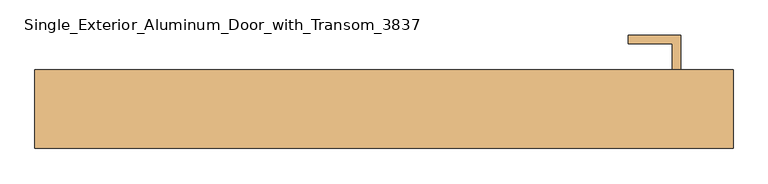
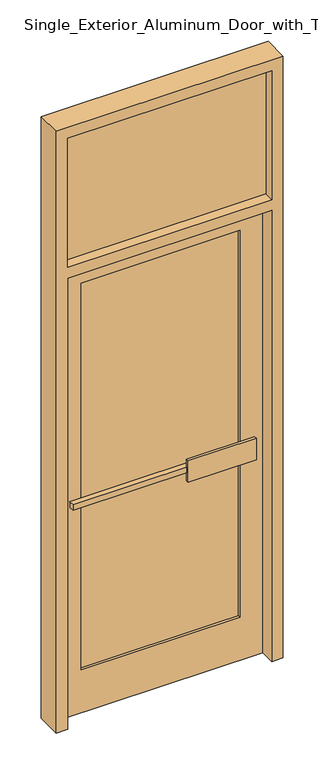
"""IFC4 building model written with IfcOpenShell, lengths in millimetres: door geometry, Single_Exterior_Aluminum_Door_with_Transom_3837."""

from ifc_helpers import new_model, si_unit, frame, origin, place, context, project, spatial, polyline, outline, extrude, source, transform, mapped, element, save


def single_exterior_aluminum_door_with_transom_3837_0a664c8e(model_context):
    return source(origin(), model_context, "Body", "SweptSolid", [
        extrude(outline(polyline([(457.2, -35.25), (-457.2, -35.25), (-457.2, -9.85), (457.2, -9.85), (457.2, -35.25)])), frame((0.0, 0.0, 2184.4), z_axis=(0.0, 0.0, 1.0), x_axis=(1.0, 0.0, 0.0)), (0.0, 0.0, 1.0), 609.6),
        extrude(outline(polyline([(101.6, -35.25), (406.4, -35.25), (406.4, -47.95), (101.6, -47.95), (101.6, -35.25)])), frame((0.0, 0.0, 952.5), z_axis=(0.0, 0.0, 1.0), x_axis=(1.0, 0.0, 0.0)), (0.0, 0.0, 1.0), 101.6),
        extrude(outline(polyline([(406.4, -9.85), (406.4, -35.25), (-406.4, -35.25), (-406.4, -9.85), (406.4, -9.85)])), frame((0.0, 0.0, 990.6), z_axis=(0.0, 0.0, 1.0), x_axis=(1.0, 0.0, 0.0)), (0.0, 0.0, 1.0), 25.4),
        extrude(outline(polyline([(431.8, 85.4), (431.8, 34.6), (419.1, 34.6), (419.1, 72.7), (355.6, 72.7), (355.6, 85.4), (431.8, 85.4)])), frame((0.0, 0.0, 914.4), z_axis=(0.0, 0.0, 1.0), x_axis=(1.0, 0.0, 0.0)), (0.0, 0.0, 1.0), 203.2),
        extrude(outline(polyline([(355.6, 2.85), (-355.6, 2.85), (-355.6, 21.9), (355.6, 21.9), (355.6, 2.85)])), frame((0.0, 0.0, 203.2), z_axis=(0.0, 0.0, 1.0), x_axis=(1.0, 0.0, 0.0)), (0.0, 0.0, 1.0), 1828.8),
        extrude(outline(polyline([(2133.6, 457.2), (2133.6, -457.2), (0.0, -457.2), (0.0, 457.2), (2133.6, 457.2)]), holes=[polyline([(203.2, -355.6), (2032.0, -355.6), (2032.0, 355.6), (203.2, 355.6), (203.2, -355.6)])]), frame((0.0, -9.85, 0.0), z_axis=(0.0, 1.0, 0.0), x_axis=(0.0, 0.0, 1.0)), (0.0, 0.0, 1.0), 44.45),
        extrude(outline(polyline([(2844.8, 508.0), (2844.8, -508.0), (0.0, -508.0), (0.0, -457.2), (2133.6, -457.2), (2133.6, 457.2), (0.0, 457.2), (0.0, 508.0), (2844.8, 508.0)]), holes=[polyline([(2184.4, 457.2), (2184.4, -457.2), (2794.0, -457.2), (2794.0, 457.2), (2184.4, 457.2)])]), frame((0.0, -79.7, 0.0), z_axis=(0.0, 1.0, 0.0), x_axis=(0.0, 0.0, 1.0)), (0.0, 0.0, 1.0), 114.3),
    ])


if __name__ == "__main__":
    model = new_model("IFC4")
    model_context = context("Model", 3, world=origin())
    ifc_project = project(units=[si_unit("LENGTHUNIT", "METRE", prefix="MILLI")], contexts=[model_context])
    site = spatial("IfcSite", under=ifc_project)
    building = spatial("IfcBuilding", under=site)
    placement = place(None, origin())
    single_exterior_aluminum_door_with_transom_3837_shape = single_exterior_aluminum_door_with_transom_3837_0a664c8e(model_context)
    element("IfcDoor", 1, ObjectType="Single_Exterior_Aluminum_Door_with_Transom_3837", at=placement, inside=building, context=model_context, shape_type="MappedRepresentation", body=[
        mapped(single_exterior_aluminum_door_with_transom_3837_shape, transform((0.0, 0.0, 0.0), x_axis=(1.0, 0.0, 0.0), y_axis=(0.0, 1.0, 0.0), z_axis=(0.0, 0.0, 1.0))),
    ])
    save(model, "model.ifc")
